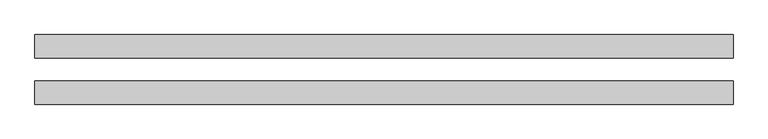
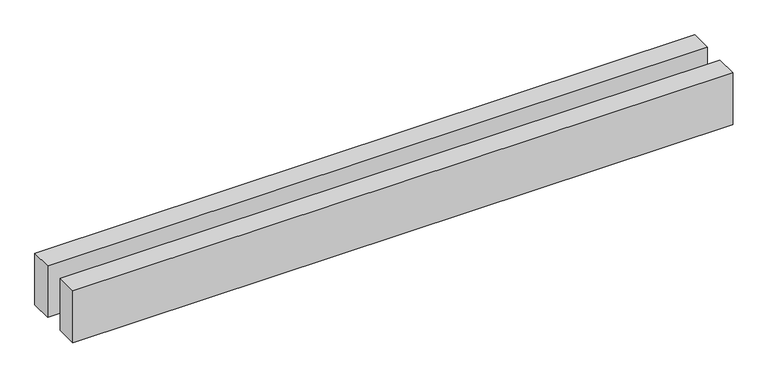
"""IFC4 building model written with IfcOpenShell, lengths in millimetres: proxy geometry."""

from ifc_helpers import new_model, si_unit, origin, origin_with_axes, place, context, project, spatial, polyline, outline, extrude, source, transform, mapped, element, save


def generic_models_57950d80(model_context):
    return source(origin(), model_context, "Body", "SweptSolid", [
        extrude(outline(polyline([(6019.1796124, 300.0), (6019.1796124, 100.0), (0.0, 100.0), (0.0, 300.0), (6019.1796124, 300.0)])), origin_with_axes(), (0.0, 0.0, 1.0), 500.0),
        extrude(outline(polyline([(6019.1796124, -100.0), (6019.1796124, -300.0), (0.0, -300.0), (0.0, -100.0), (6019.1796124, -100.0)])), origin_with_axes(), (0.0, 0.0, 1.0), 500.0),
    ])


if __name__ == "__main__":
    model = new_model("IFC4")
    model_context = context("Model", 3, world=origin())
    ifc_project = project(units=[si_unit("LENGTHUNIT", "METRE", prefix="MILLI")], contexts=[model_context])
    site = spatial("IfcSite", under=ifc_project)
    building = spatial("IfcBuilding", under=site)
    placement = place(None, origin())
    generic_models_shape = generic_models_57950d80(model_context)
    element("IfcBuildingElementProxy", 1, Name="Generic Models", at=placement, inside=building, context=model_context, shape_type="MappedRepresentation", body=[
        mapped(generic_models_shape, transform((0.0, 0.0, 0.0), x_axis=(1.0, 0.0, 0.0), y_axis=(0.0, 1.0, 0.0), z_axis=(0.0, 0.0, 1.0))),
    ])
    save(model, "model.ifc")
